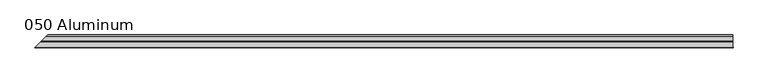
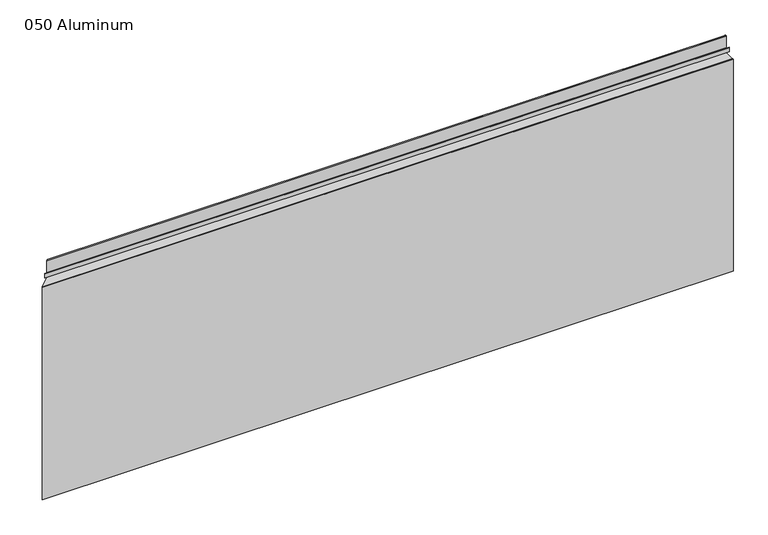
"""IFC4 building model written with IfcOpenShell, lengths in millimetres: plate geometry, 050 Aluminum."""

import ifcopenshell
import ifcopenshell.guid

model = None  # the IFC model being written
_history = None  # IfcOwnerHistory: only IFC2X3 demands one
_inside = {}  # id of a spatial element -> (the spatial element, [elements in it])
_under = {}  # id of a project, library or spatial element -> (it, [spatial elements below it])
_declared = {}  # id of a project -> (the project, [libraries it declares])
_typed = {}  # id of a type object -> (the type object, [elements of that type])
_made_of = {}  # id of a material, layer set ... -> (it, [elements and type objects made of it])


def new_model(schema):
    """Start an empty IFC model of exactly this schema.

    Asked for "IFC4X3", IfcOpenShell would pick the latest addendum, in which some entities
    have other attributes; the version numbers below select the first issue.
    IFC2X3 requires an IfcOwnerHistory on every rooted entity: one is made here for all.
    """
    global model, _history
    if schema == "IFC4X3":
        model = ifcopenshell.file(schema_version=(4, 3, 0, 0))
    else:
        model = ifcopenshell.file(schema=schema)
    _inside.clear()
    _under.clear()
    _declared.clear()
    _typed.clear()
    _made_of.clear()
    _history = None
    if model.schema == "IFC2X3":
        org = make("IfcOrganization", Name="unknown")
        user = make(
            "IfcPersonAndOrganization",
            ThePerson=make("IfcPerson", FamilyName="unknown"),
            TheOrganization=org,
        )
        app = make(
            "IfcApplication",
            ApplicationDeveloper=org,
            Version="unknown",
            ApplicationFullName="unknown",
            ApplicationIdentifier="unknown",
        )
        _history = make(
            "IfcOwnerHistory",
            OwningUser=user,
            OwningApplication=app,
            ChangeAction="ADDED",
            CreationDate=0,
        )
    return model


def make(cls, **values):
    """One entity of the class cls with the attributes given. An attribute that is None is left unset."""
    return model.create_entity(
        cls, **{name: value for name, value in values.items() if value is not None}
    )


def rooted(cls, **values):
    """An entity with a GlobalId (a new one), such as an element, a storey or a relation."""
    return make(cls, GlobalId=ifcopenshell.guid.new(), OwnerHistory=_history, **values)


def si_unit(unit_type, name, prefix=None):
    """IfcSIUnit, for example si_unit("LENGTHUNIT", "METRE", prefix="MILLI")."""
    return make("IfcSIUnit", UnitType=unit_type, Prefix=prefix, Name=name)


def assignment(units):
    """IfcUnitAssignment: the units of a project."""
    return None if units is None else make("IfcUnitAssignment", Units=units)


def point(xyz):
    """IfcCartesianPoint."""
    return None if xyz is None else make("IfcCartesianPoint", Coordinates=xyz)


def direction(xyz):
    """IfcDirection."""
    return None if xyz is None else make("IfcDirection", DirectionRatios=xyz)


def frame(location, z_axis=None, x_axis=None):
    """IfcAxis2Placement3D, a coordinate frame: its origin and axes. An axis left out is left unset."""
    return make(
        "IfcAxis2Placement3D",
        Location=point(location),
        Axis=direction(z_axis),
        RefDirection=direction(x_axis),
    )


def origin():
    """The frame at (0, 0, 0) with its axes left unset."""
    return frame((0.0, 0.0, 0.0))


def origin_with_axes():
    """The frame at (0, 0, 0) with the z axis (0, 0, 1) and the x axis (1, 0, 0) written out."""
    return frame((0.0, 0.0, 0.0), z_axis=(0.0, 0.0, 1.0), x_axis=(1.0, 0.0, 0.0))


def place(relative_to, where):
    """IfcLocalPlacement: puts the frame where relative to a parent placement (None: the world)."""
    return make(
        "IfcLocalPlacement", PlacementRelTo=relative_to, RelativePlacement=where
    )


def context(
    kind, dimensions, precision=None, world=None, true_north=None, identifier=None
):
    """IfcGeometricRepresentationContext, for example the 3D "Model" context."""
    return make(
        "IfcGeometricRepresentationContext",
        ContextIdentifier=identifier,
        ContextType=kind,
        CoordinateSpaceDimension=dimensions,
        Precision=precision,
        WorldCoordinateSystem=world,
        TrueNorth=true_north,
    )


def project(units=None, contexts=None):
    """IfcProject with its units and contexts."""
    return rooted(
        "IfcProject",
        Name="project",
        RepresentationContexts=contexts,
        UnitsInContext=assignment(units),
    )


def spatial(cls, under=None, at=None, **own):
    """A site, building, storey or space (cls), placed at a placement, below another one or the project."""
    s = rooted(cls, ObjectPlacement=at, **own)
    if under is not None:
        _under.setdefault(under.id(), (under, []))[1].append(s)
    return s


def polyline(points):
    """IfcPolyline through the points."""
    return make("IfcPolyline", Points=[point(p) for p in points])


def circle_curve(where, radius):
    """IfcCircle in the frame where."""
    return make("IfcCircle", Position=where, Radius=radius)


def ellipse_curve(where, semi_axis1, semi_axis2):
    """IfcEllipse in the frame where."""
    return make(
        "IfcEllipse", Position=where, SemiAxis1=semi_axis1, SemiAxis2=semi_axis2
    )


def outline(outer, holes=None, kind="AREA"):
    """IfcArbitraryClosedProfileDef: a profile drawn as a closed curve; with holes, ...WithVoids."""
    if holes is None:
        return make("IfcArbitraryClosedProfileDef", ProfileType=kind, OuterCurve=outer)
    return make(
        "IfcArbitraryProfileDefWithVoids",
        ProfileType=kind,
        OuterCurve=outer,
        InnerCurves=holes,
    )


def extrude(swept, where, along, depth):
    """IfcExtrudedAreaSolid: the profile swept, set in the frame where, extruded along a direction by depth."""
    return make(
        "IfcExtrudedAreaSolid",
        SweptArea=swept,
        Position=where,
        ExtrudedDirection=direction(along),
        Depth=depth,
    )


def shape(context_of_items, identifier, shape_type, items):
    """IfcShapeRepresentation: the items that make up one representation, for example the "Body"."""
    return make(
        "IfcShapeRepresentation",
        ContextOfItems=context_of_items,
        RepresentationIdentifier=identifier,
        RepresentationType=shape_type,
        Items=items,
    )


def source(mapping_origin, context_of_items, identifier, shape_type, items):
    """IfcRepresentationMap: a shape defined once, which mapped items show again and again."""
    return make(
        "IfcRepresentationMap",
        MappingOrigin=mapping_origin,
        MappedRepresentation=shape(context_of_items, identifier, shape_type, items),
    )


def transform(
    local_origin,
    x_axis=None,
    y_axis=None,
    z_axis=None,
    scale=None,
    scale2=None,
    scale3=None,
    uniform=True,
):
    """IfcCartesianTransformationOperator3D, or its non-uniform kind. x_axis, y_axis, z_axis: its Axis1, 2, 3."""
    if uniform:
        return make(
            "IfcCartesianTransformationOperator3D",
            Axis1=direction(x_axis),
            Axis2=direction(y_axis),
            LocalOrigin=point(local_origin),
            Scale=scale,
            Axis3=direction(z_axis),
        )
    return make(
        "IfcCartesianTransformationOperator3DnonUniform",
        Axis1=direction(x_axis),
        Axis2=direction(y_axis),
        LocalOrigin=point(local_origin),
        Scale=scale,
        Axis3=direction(z_axis),
        Scale2=scale2,
        Scale3=scale3,
    )


def mapped(mapping_source, mapping_target):
    """IfcMappedItem: shows the shape of a source again, moved by a transform."""
    return make(
        "IfcMappedItem", MappingSource=mapping_source, MappingTarget=mapping_target
    )


def made_of(thing, what):
    """Note that an element or type object is made of a material, layer set ...; save() writes the relation."""
    if what is not None:
        _made_of.setdefault(what.id(), (what, []))[1].append(thing)
    return thing


def element(
    cls,
    number,
    at=None,
    inside=None,
    cuts=None,
    type_object=None,
    material=None,
    context=None,
    identifier="Body",
    shape_type=None,
    held_by="IfcProductDefinitionShape",
    body=None,
    shapes=None,
    **own,
):
    """One element of the class cls, such as IfcWall. Its Tag is "e" and its number.

    at: its placement. inside: the storey or other place that contains it. cuts: it is an
    opening in that element (IfcRelVoidsElement). A single representation is given by context,
    identifier, shape_type and body (its items); several are given by shapes. held_by: the class
    of the entity that holds the representations. save() writes the other relations.
    """
    e = rooted(cls, Tag="e%d" % number, ObjectPlacement=at, **own)
    if body is not None:
        shapes = [shape(context, identifier, shape_type, body)]
    if shapes is not None:
        e.Representation = make(held_by, Representations=shapes)
    if inside is not None:
        _inside.setdefault(inside.id(), (inside, []))[1].append(e)
    if cuts is not None:
        rooted(
            "IfcRelVoidsElement", RelatingBuildingElement=cuts, RelatedOpeningElement=e
        )
    if type_object is not None:
        _typed.setdefault(type_object.id(), (type_object, []))[1].append(e)
    return made_of(e, material)


def aggregate(whole, parts):
    """IfcRelAggregates: a whole, such as a stair, and the parts it consists of."""
    return rooted("IfcRelAggregates", RelatingObject=whole, RelatedObjects=parts)


def save(model, path):
    """Write the relations noted so far, then the file.

    IfcRelAggregates (storeys below a building ...), IfcRelContainedInSpatialStructure (elements
    in a storey), IfcRelDefinesByType, IfcRelAssociatesMaterial and IfcRelDeclares: one each for
    every whole, place, type object, material and project.
    """
    for whole, parts in _under.values():
        aggregate(whole, parts)
    for where, things in _inside.values():
        rooted(
            "IfcRelContainedInSpatialStructure",
            RelatedElements=things,
            RelatingStructure=where,
        )
    for kind, things in _typed.values():
        rooted("IfcRelDefinesByType", RelatedObjects=things, RelatingType=kind)
    for what, things in _made_of.values():
        rooted("IfcRelAssociatesMaterial", RelatedObjects=things, RelatingMaterial=what)
    for by, libraries in _declared.values():
        rooted("IfcRelDeclares", RelatingContext=by, RelatedDefinitions=libraries)
    model.write(path)


def plane_surface(at):
    """IfcPlane: the flat surface through the origin of the frame at, square to its z axis."""
    return make("IfcPlane", Position=at)


def cylinder_surface(at, radius):
    """IfcCylindricalSurface: all points at the distance radius from the z axis of the frame at."""
    return make("IfcCylindricalSurface", Position=at, Radius=radius)


def revolved_surface(curve, axis_point, axis_direction):
    """IfcSurfaceOfRevolution: the curve turned about the line through axis_point along axis_direction."""
    return make(
        "IfcSurfaceOfRevolution",
        SweptCurve=make("IfcArbitraryOpenProfileDef", ProfileType="CURVE", Curve=curve),
        AxisPosition=make("IfcAxis1Placement", Location=point(axis_point), Axis=direction(axis_direction)),
    )


def advanced_brep(points, edges, surfaces, faces):
    """IfcAdvancedBrep: a solid bounded by faces that lie on surfaces and meet in shared edges.

    An edge is (start, end): straight between two places in points (the first is 0);
    or (start, end, curve); or (start, end, curve, False) where it runs against its curve.
    A face is (place in surfaces, loops), or (place, loops, False) where it looks against
    its surface's normal. A loop lists edges by number (the first is 1), with a minus sign
    where the edge is run from its end to its start. The first loop is the outer one.
    """
    corners = [point(p) for p in points]
    vertices = [make("IfcVertexPoint", VertexGeometry=c) for c in corners]
    made = []
    for start, end, *more in edges:
        made.append(
            make(
                "IfcEdgeCurve",
                EdgeStart=vertices[start],
                EdgeEnd=vertices[end],
                EdgeGeometry=more[0] if more else make("IfcPolyline", Points=[corners[start], corners[end]]),
                SameSense=more[1] if len(more) > 1 else True,
            )
        )
    hull = []
    for where, loops, *sense in faces:
        bounds = []
        for j, loop in enumerate(loops):
            ring = [make("IfcOrientedEdge", EdgeElement=made[abs(k) - 1], Orientation=k > 0) for k in loop]
            bounds.append(
                make(
                    "IfcFaceOuterBound" if j == 0 else "IfcFaceBound",
                    Bound=make("IfcEdgeLoop", EdgeList=ring),
                    Orientation=True,
                )
            )
        hull.append(make("IfcAdvancedFace", Bounds=bounds, FaceSurface=surfaces[where], SameSense=sense[0] if sense else True))
    return make("IfcAdvancedBrep", Outer=make("IfcClosedShell", CfsFaces=hull))


def plate_050_aluminum_48f36475(model_context):
    return source(origin(), model_context, "Body", "SolidModel", [
        advanced_brep(
        [(919.4800002, -16.6765477, 13.1458337), (919.4800002, -23.0264743, 13.124237), (919.4800002, -23.0264743, 1.2693678), (919.4800002, -34.7980002, 1.2693678), (919.4800002, -34.7980002, 0.0), (919.4800002, -21.7564743, 0.0), (919.4800002, -21.7564743, 13.124237), (919.4800002, -17.9464915, 13.1323356), (919.4800002, -17.9464915, 2.786437), (919.4800002, -16.6765477, 2.786437), (-937.4265479, -16.6765477, 2.786437), (-937.4265479, -16.6765477, 13.1458337), (-938.6964916, -17.9464915, 2.786437), (-938.6964916, -17.9464915, 13.1323356), (-942.5064744, -21.7564743, 13.124237), (-942.5064744, -21.7564743, 0.0), (-955.5480002, -34.7980002, 0.0), (-955.5480002, -34.7980002, 1.2693678), (-943.7764744, -23.0264743, 1.2693678), (-943.7764744, -23.0264743, 13.124237)],
        [
            (0, 1, circle_curve(frame((919.4800002, -19.8514743, 13.124237), z_axis=(1.0, 0.0, 0.0), x_axis=(0.0, 0.0, -1.0)), 3.175)),
            (1, 2),
            (2, 3),
            (3, 4),
            (4, 5),
            (5, 6),
            (6, 7, circle_curve(frame((919.4800002, -19.8514743, 13.124237), z_axis=(-1.0, 0.0, 0.0), x_axis=(0.0, 0.0, -1.0)), 1.905)),
            (7, 8),
            (8, 9),
            (9, 0),
            (9, 10),
            (10, 11),
            (11, 0),
            (8, 12),
            (12, 10),
            (7, 13),
            (13, 12),
            (6, 14),
            (14, 13, ellipse_curve(frame((-940.6014744, -19.8514743, 13.124237), z_axis=(-0.7071067811865465, 0.7071067811865488, 0.0), x_axis=(0.7071067811865486, 0.7071067811865465, 0.0)), 2.6940768, 1.905)),
            (5, 15),
            (15, 14),
            (4, 16),
            (16, 15),
            (3, 17),
            (17, 16),
            (2, 18),
            (18, 17),
            (1, 19),
            (19, 18),
            (11, 19, ellipse_curve(frame((-940.6014744, -19.8514743, 13.124237), z_axis=(0.7071067811865465, -0.7071067811865488, 0.0), x_axis=(-0.7071067811865486, -0.7071067811865465, 0.0)), 4.4901281, 3.175)),
        ],
        [
            plane_surface(frame((919.4800002, -36.068, 0.0), z_axis=(1.0, 0.0, 0.0), x_axis=(0.0, 0.0, 1.0))),
            plane_surface(frame((-955.5480002, -16.6765477, 13.1458337), z_axis=(0.0, 1.0, 0.0), x_axis=(1.0, 0.0, 0.0))),
            plane_surface(frame((-955.5480002, -16.6765477, 2.786437), z_axis=(0.0, 0.0, -1.0), x_axis=(1.0, 0.0, 0.0))),
            plane_surface(frame((-955.5480002, -17.9464915, 2.786437), z_axis=(0.0, -1.0, 0.0), x_axis=(1.0, 0.0, 0.0))),
            revolved_surface(polyline([(919.4800002000001, -19.8514743, 11.219237000000001), (-942.5064744, -19.8514743, 11.219237000000001)]), (-955.5480002, -19.8514743, 13.124237), (1.0, 0.0, 0.0)),
            plane_surface(frame((-955.5480002, -21.7564743, 13.124237), z_axis=(0.0, 1.0, 0.0), x_axis=(1.0, 0.0, 0.0))),
            plane_surface(frame((-955.5480002, -21.7564743, 0.0), z_axis=(0.0, 0.0, -1.0), x_axis=(1.0, 0.0, 0.0))),
            plane_surface(frame((-955.5480002, -34.7980002, 0.0), z_axis=(0.0, -1.0, 0.0), x_axis=(1.0, 0.0, 0.0))),
            plane_surface(frame((-955.5480002, -34.7980002, 1.2693678), z_axis=(0.0, 0.0, 1.0), x_axis=(1.0, 0.0, 0.0))),
            plane_surface(frame((-955.5480002, -23.0264743, 1.2693678), z_axis=(0.0, -1.0, 0.0), x_axis=(1.0, 0.0, 0.0))),
            cylinder_surface(frame((-955.5480002, -19.8514743, 13.124237), z_axis=(-1.0, 0.0, 0.0), x_axis=(0.0, 0.0, -1.0)), 3.175),
            plane_surface(frame((-956.8180002, -36.068, 795.4549971), z_axis=(-0.7071067811865465, 0.7071067811865488, 0.0), x_axis=(0.0, 0.0, -1.0))),
        ],
        [
            (0, [[1, 2, 3, 4, 5, 6, 7, 8, 9, 10]]),
            (1, [[-10, 11, 12, 13]]),
            (2, [[-9, 14, 15, -11]]),
            (3, [[-8, 16, 17, -14]]),
            (4, [[-7, 18, 19, -16]]),
            (5, [[-6, 20, 21, -18]]),
            (6, [[-5, 22, 23, -20]]),
            (7, [[-4, 24, 25, -22]]),
            (8, [[-3, 26, 27, -24]]),
            (9, [[-2, 28, 29, -26]]),
            (10, [[-1, -13, 30, -28]]),
            (11, [[-12, -15, -17, -19, -21, -23, -25, -27, -29, -30]]),
        ],
    ),
        advanced_brep(
        [(919.4800002, -2.0574743, 656.7932001), (919.4800002, -5.3594742, 656.7932001), (919.4800002, -5.3594742, 623.57), (919.4800002, -19.2164743, 623.57), (919.4800002, -19.2164743, 633.6538), (919.4800002, -20.4864742, 633.6538), (919.4800002, -20.4864742, 622.3), (919.4800002, -4.0894742, 622.3), (919.4800002, -4.0894742, 656.7932001), (919.4800002, -3.3274743, 656.7932001), (919.4800002, -3.3274743, 609.6000001), (919.4800002, -34.7980002, 609.6000001), (919.4800002, -34.7980002, 608.33), (919.4800002, -2.0574743, 608.33), (-922.8074744, -2.0574743, 608.33), (-922.8074744, -2.0574743, 656.7932001), (-955.5480002, -34.7980002, 608.33), (-955.5480002, -34.7980002, 609.6000001), (-924.0774744, -3.3274743, 609.6000001), (-924.0774744, -3.3274743, 656.7932001), (-924.8394743, -4.0894742, 656.7932001), (-924.8394743, -4.0894742, 622.3), (-941.2364744, -20.4864742, 622.3), (-941.2364744, -20.4864742, 633.6538), (-939.9664745, -19.2164743, 633.6538), (-939.9664745, -19.2164743, 623.57), (-926.1094743, -5.3594742, 623.57), (-926.1094743, -5.3594742, 656.7932001)],
        [
            (0, 1, circle_curve(frame((919.4800002, -3.7084742, 656.7932001), z_axis=(1.0, 0.0, 0.0), x_axis=(0.0, 0.0, -1.0)), 1.6509999)),
            (1, 2),
            (2, 3),
            (3, 4),
            (4, 5),
            (5, 6),
            (6, 7),
            (7, 8),
            (8, 9, circle_curve(frame((919.4800002, -3.7084742, 656.7932001), z_axis=(-1.0, 0.0, 0.0), x_axis=(0.0, 0.0, -1.0)), 0.3809999)),
            (9, 10),
            (10, 11),
            (11, 12),
            (12, 13),
            (13, 0),
            (13, 14),
            (14, 15),
            (15, 0),
            (12, 16),
            (16, 14),
            (11, 17),
            (17, 16),
            (10, 18),
            (18, 17),
            (9, 19),
            (19, 18),
            (8, 20),
            (20, 19, ellipse_curve(frame((-924.4584744, -3.7084742, 656.7932001), z_axis=(-0.7071067811865465, 0.7071067811865488, 0.0), x_axis=(0.7071067811865486, 0.7071067811865465, 0.0)), 0.5388153, 0.3809999)),
            (7, 21),
            (21, 20),
            (6, 22),
            (22, 21),
            (5, 23),
            (23, 22),
            (4, 24),
            (24, 23),
            (3, 25),
            (25, 24),
            (2, 26),
            (26, 25),
            (1, 27),
            (27, 26),
            (15, 27, ellipse_curve(frame((-924.4584744, -3.7084742, 656.7932001), z_axis=(0.7071067811865465, -0.7071067811865488, 0.0), x_axis=(-0.7071067811865486, -0.7071067811865465, 0.0)), 2.3348665, 1.6509999)),
        ],
        [
            plane_surface(frame((919.4800002, -36.068, 609.6), z_axis=(1.0, 0.0, 0.0), x_axis=(0.0, 0.0, 1.0))),
            plane_surface(frame((-955.5480002, -2.0574743, 656.7932001), z_axis=(0.0, 1.0, 0.0), x_axis=(1.0, 0.0, 0.0))),
            plane_surface(frame((-955.5480002, -2.0574743, 608.33), z_axis=(0.0, 0.0, -1.0), x_axis=(1.0, 0.0, 0.0))),
            plane_surface(frame((-955.5480002, -34.7980002, 608.33), z_axis=(0.0, -1.0, 0.0), x_axis=(1.0, 0.0, 0.0))),
            plane_surface(frame((-955.5480002, -34.7980002, 609.6000001), z_axis=(0.0, 0.0, 1.0), x_axis=(1.0, 0.0, 0.0))),
            plane_surface(frame((-955.5480002, -3.3274743, 609.6000001), z_axis=(0.0, -1.0, 0.0), x_axis=(1.0, 0.0, 0.0))),
            revolved_surface(polyline([(919.4800002000001, -3.7084742, 656.4122002), (-924.839474352437, -3.7084742, 656.4122002)]), (-955.5480002, -3.7084742, 656.7932001), (1.0, 0.0, 0.0)),
            plane_surface(frame((-955.5480002, -4.0894742, 656.7932001), z_axis=(0.0, 1.0, 0.0), x_axis=(1.0, 0.0, 0.0))),
            plane_surface(frame((-955.5480002, -4.0894742, 622.3), z_axis=(0.0, 0.0, -1.0), x_axis=(1.0, 0.0, 0.0))),
            plane_surface(frame((-955.5480002, -20.4864742, 622.3), z_axis=(0.0, -1.0, 0.0), x_axis=(1.0, 0.0, 0.0))),
            plane_surface(frame((-955.5480002, -20.4864742, 633.6538), z_axis=(0.0, 0.0, 1.0), x_axis=(1.0, 0.0, 0.0))),
            plane_surface(frame((-955.5480002, -19.2164743, 633.6538), z_axis=(0.0, 1.0, 0.0), x_axis=(1.0, 0.0, 0.0))),
            plane_surface(frame((-955.5480002, -19.2164743, 623.57), z_axis=(0.0, 0.0, 1.0), x_axis=(1.0, 0.0, 0.0))),
            plane_surface(frame((-955.5480002, -5.3594742, 623.57), z_axis=(0.0, -1.0, 0.0), x_axis=(1.0, 0.0, 0.0))),
            cylinder_surface(frame((-955.5480002, -3.7084742, 656.7932001), z_axis=(-1.0, 0.0, 0.0), x_axis=(0.0, 0.0, -1.0)), 1.6509999),
            plane_surface(frame((-956.8180002, -36.068, 795.4549971), z_axis=(-0.7071067811865465, 0.7071067811865488, 0.0), x_axis=(0.0, 0.0, -1.0))),
        ],
        [
            (0, [[1, 2, 3, 4, 5, 6, 7, 8, 9, 10, 11, 12, 13, 14]]),
            (1, [[-14, 15, 16, 17]]),
            (2, [[-13, 18, 19, -15]]),
            (3, [[-12, 20, 21, -18]]),
            (4, [[-11, 22, 23, -20]]),
            (5, [[-10, 24, 25, -22]]),
            (6, [[-9, 26, 27, -24]]),
            (7, [[-8, 28, 29, -26]]),
            (8, [[-7, 30, 31, -28]]),
            (9, [[-6, 32, 33, -30]]),
            (10, [[-5, 34, 35, -32]]),
            (11, [[-4, 36, 37, -34]]),
            (12, [[-3, 38, 39, -36]]),
            (13, [[-2, 40, 41, -38]]),
            (14, [[-1, -17, 42, -40]]),
            (15, [[-16, -19, -21, -23, -25, -27, -29, -31, -33, -35, -37, -39, -41, -42]]),
        ],
    ),
        extrude(outline(polyline([(920.7500002, -34.7980001), (920.7500002, -36.068), (-956.8180002, -36.068), (-955.5480002, -34.7980001), (920.7500002, -34.7980001)])), origin_with_axes(), (0.0, 0.0, 1.0), 609.6),
    ])


if __name__ == "__main__":
    model = new_model("IFC4")
    model_context = context("Model", 3, world=origin())
    ifc_project = project(units=[si_unit("LENGTHUNIT", "METRE", prefix="MILLI")], contexts=[model_context])
    site = spatial("IfcSite", under=ifc_project)
    building = spatial("IfcBuilding", under=site)
    placement = place(None, origin())
    plate_050_aluminum_shape = plate_050_aluminum_48f36475(model_context)
    element("IfcPlate", 1, ObjectType="050 Aluminum", at=placement, inside=building, context=model_context, shape_type="MappedRepresentation", body=[
        mapped(plate_050_aluminum_shape, transform((0.0, 0.0, 0.0), x_axis=(1.0, 0.0, 0.0), y_axis=(0.0, 1.0, 0.0), z_axis=(0.0, 0.0, 1.0))),
    ])
    save(model, "model.ifc")
